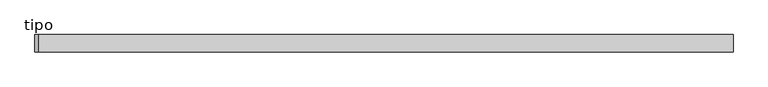
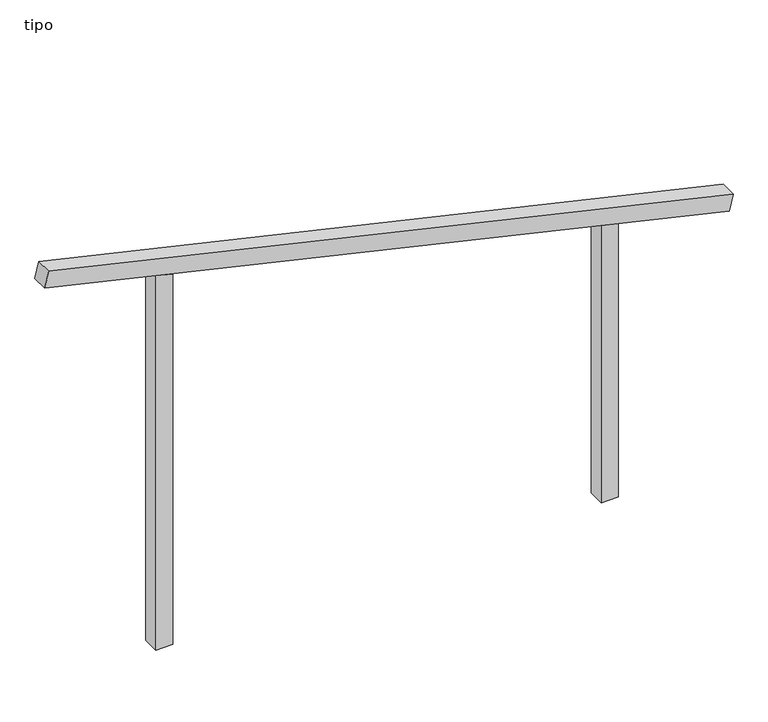
"""IFC4 building model written with IfcOpenShell, lengths in millimetres: proxy geometry, tipo."""

from ifc_helpers import new_model, si_unit, frame, origin, place, context, project, spatial, polyline, outline, extrude, source, transform, mapped, element, save


def tipo_f6be10a1(model_context):
    return source(origin(), model_context, "Body", "SweptSolid", [
        extrude(outline(polyline([(0.0, -4100.0000001), (0.0, 0.0), (100.0, 0.0), (100.0, -4100.0000001), (0.0, -4100.0000001)])), frame((-1997.4265189, -100.0, 2461.2887401), z_axis=(0.22501889761838909, 0.0, 0.9743543994433468), x_axis=(0.0, 1.0, 0.0)), (0.0, 0.0, 1.0), 100.0),
        extrude(outline(polyline([(1688.2289319, 1350.0), (1711.3230851, 1250.0), (0.0, 1250.0), (0.0, 1350.0), (1688.2289319, 1350.0)])), frame((0.0, -100.0, 0.0), z_axis=(0.0, 1.0, 0.0), x_axis=(0.0, 0.0, 1.0)), (0.0, 0.0, 1.0), 100.0),
        extrude(outline(polyline([(2311.7710681, -1350.0), (0.0, -1350.0), (0.0, -1250.0), (2288.6769149, -1250.0), (2311.7710681, -1350.0)])), frame((0.0, -100.0, 0.0), z_axis=(0.0, 1.0, 0.0), x_axis=(0.0, 0.0, 1.0)), (0.0, 0.0, 1.0), 100.0),
    ])


if __name__ == "__main__":
    model = new_model("IFC4")
    model_context = context("Model", 3, world=origin())
    ifc_project = project(units=[si_unit("LENGTHUNIT", "METRE", prefix="MILLI")], contexts=[model_context])
    site = spatial("IfcSite", under=ifc_project)
    building = spatial("IfcBuilding", under=site)
    placement = place(None, origin())
    tipo_shape = tipo_f6be10a1(model_context)
    element("IfcBuildingElementProxy", 1, Name="tipo", ObjectType="tipo", at=placement, inside=building, context=model_context, shape_type="MappedRepresentation", body=[
        mapped(tipo_shape, transform((0.0, 0.0, 0.0), x_axis=(1.0, 0.0, 0.0), y_axis=(0.0, 1.0, 0.0), z_axis=(0.0, 0.0, 1.0))),
    ])
    save(model, "model.ifc")
